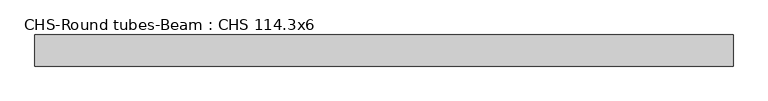
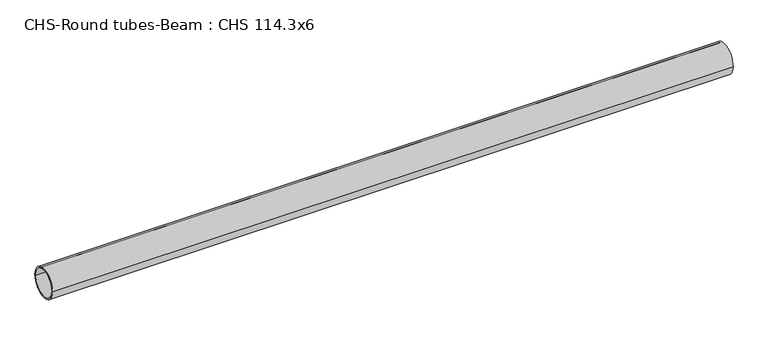
"""IFC4 building model written with IfcOpenShell, lengths in millimetres: beam geometry, CHS-Round tubes-Beam : CHS 114.3x6."""

from ifc_helpers import new_model, si_unit, point, frame, origin, origin_2d, place, context, project, spatial, circle_curve, trimmed, segment, composite_curve, outline, extrude, source, transform, mapped, element, save


def chs_round_tubes_beam_chs_114_3x6_be9742bf(model_context):
    return source(origin(), model_context, "Body", "SweptSolid", [
        extrude(outline(composite_curve([segment(trimmed(circle_curve(origin_2d(), 57.15), [point((57.15, 0.0))], [point((-57.15, 0.0))], False, "CARTESIAN"), True, "CONTINUOUS"), segment(trimmed(circle_curve(origin_2d(), 57.15), [point((-57.15, 0.0))], [point((57.15, 0.0))], False, "CARTESIAN"), True, "CONTINUOUS")], self_intersect=False), holes=[composite_curve([segment(trimmed(circle_curve(origin_2d(), 51.15), [point((51.15, 0.0))], [point((-51.15, 0.0))], True, "CARTESIAN"), True, "CONTINUOUS"), segment(trimmed(circle_curve(origin_2d(), 51.15), [point((-51.15, 0.0))], [point((51.15, 0.0))], True, "CARTESIAN"), True, "CONTINUOUS")], self_intersect=False)]), frame((-1244.2811705, 0.0, 0.0), z_axis=(1.0, 0.0, 0.0), x_axis=(0.0, 1.0, 0.0)), (0.0, 0.0, 1.0), 2561.4519655),
    ])


if __name__ == "__main__":
    model = new_model("IFC4")
    model_context = context("Model", 3, world=origin())
    ifc_project = project(units=[si_unit("LENGTHUNIT", "METRE", prefix="MILLI")], contexts=[model_context])
    site = spatial("IfcSite", under=ifc_project)
    building = spatial("IfcBuilding", under=site)
    placement = place(None, origin())
    chs_round_tubes_beam_chs_114_3x6_shape = chs_round_tubes_beam_chs_114_3x6_be9742bf(model_context)
    element("IfcBeam", 1, ObjectType="CHS-Round tubes-Beam : CHS 114.3x6", at=placement, inside=building, context=model_context, shape_type="MappedRepresentation", body=[
        mapped(chs_round_tubes_beam_chs_114_3x6_shape, transform((0.0, 0.0, 0.0), x_axis=(1.0, 0.0, 0.0), y_axis=(0.0, 1.0, 0.0), z_axis=(0.0, 0.0, 1.0))),
    ])
    save(model, "model.ifc")
